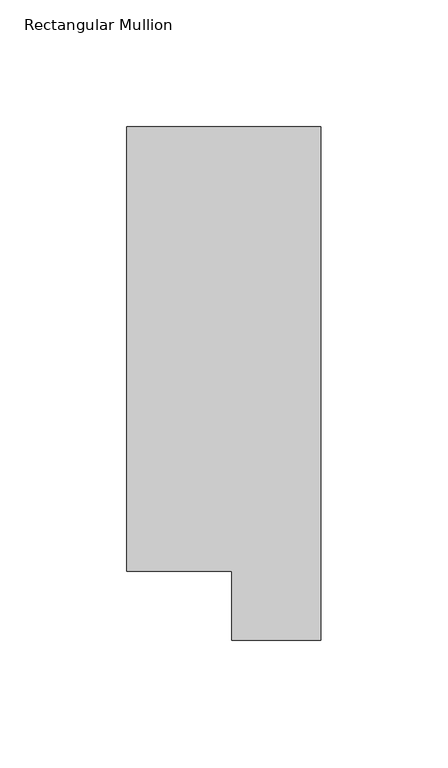
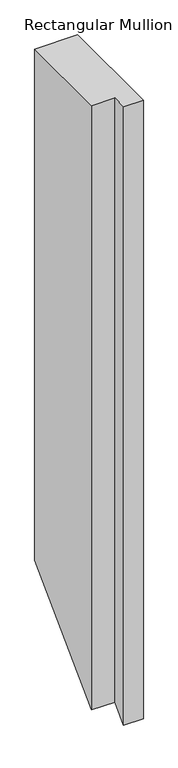
"""IFC4 building model written with IfcOpenShell, lengths in millimetres: member geometry, Rectangular Mullion."""

import ifcopenshell
import ifcopenshell.guid

model = None  # the IFC model being written
_history = None  # IfcOwnerHistory: only IFC2X3 demands one
_inside = {}  # id of a spatial element -> (the spatial element, [elements in it])
_under = {}  # id of a project, library or spatial element -> (it, [spatial elements below it])
_declared = {}  # id of a project -> (the project, [libraries it declares])
_typed = {}  # id of a type object -> (the type object, [elements of that type])
_made_of = {}  # id of a material, layer set ... -> (it, [elements and type objects made of it])


def new_model(schema):
    """Start an empty IFC model of exactly this schema.

    Asked for "IFC4X3", IfcOpenShell would pick the latest addendum, in which some entities
    have other attributes; the version numbers below select the first issue.
    IFC2X3 requires an IfcOwnerHistory on every rooted entity: one is made here for all.
    """
    global model, _history
    if schema == "IFC4X3":
        model = ifcopenshell.file(schema_version=(4, 3, 0, 0))
    else:
        model = ifcopenshell.file(schema=schema)
    _inside.clear()
    _under.clear()
    _declared.clear()
    _typed.clear()
    _made_of.clear()
    _history = None
    if model.schema == "IFC2X3":
        org = make("IfcOrganization", Name="unknown")
        user = make(
            "IfcPersonAndOrganization",
            ThePerson=make("IfcPerson", FamilyName="unknown"),
            TheOrganization=org,
        )
        app = make(
            "IfcApplication",
            ApplicationDeveloper=org,
            Version="unknown",
            ApplicationFullName="unknown",
            ApplicationIdentifier="unknown",
        )
        _history = make(
            "IfcOwnerHistory",
            OwningUser=user,
            OwningApplication=app,
            ChangeAction="ADDED",
            CreationDate=0,
        )
    return model


def make(cls, **values):
    """One entity of the class cls with the attributes given. An attribute that is None is left unset."""
    return model.create_entity(
        cls, **{name: value for name, value in values.items() if value is not None}
    )


def rooted(cls, **values):
    """An entity with a GlobalId (a new one), such as an element, a storey or a relation."""
    return make(cls, GlobalId=ifcopenshell.guid.new(), OwnerHistory=_history, **values)


def si_unit(unit_type, name, prefix=None):
    """IfcSIUnit, for example si_unit("LENGTHUNIT", "METRE", prefix="MILLI")."""
    return make("IfcSIUnit", UnitType=unit_type, Prefix=prefix, Name=name)


def assignment(units):
    """IfcUnitAssignment: the units of a project."""
    return None if units is None else make("IfcUnitAssignment", Units=units)


def point(xyz):
    """IfcCartesianPoint."""
    return None if xyz is None else make("IfcCartesianPoint", Coordinates=xyz)


def direction(xyz):
    """IfcDirection."""
    return None if xyz is None else make("IfcDirection", DirectionRatios=xyz)


def frame(location, z_axis=None, x_axis=None):
    """IfcAxis2Placement3D, a coordinate frame: its origin and axes. An axis left out is left unset."""
    return make(
        "IfcAxis2Placement3D",
        Location=point(location),
        Axis=direction(z_axis),
        RefDirection=direction(x_axis),
    )


def origin():
    """The frame at (0, 0, 0) with its axes left unset."""
    return frame((0.0, 0.0, 0.0))


def place(relative_to, where):
    """IfcLocalPlacement: puts the frame where relative to a parent placement (None: the world)."""
    return make(
        "IfcLocalPlacement", PlacementRelTo=relative_to, RelativePlacement=where
    )


def context(
    kind, dimensions, precision=None, world=None, true_north=None, identifier=None
):
    """IfcGeometricRepresentationContext, for example the 3D "Model" context."""
    return make(
        "IfcGeometricRepresentationContext",
        ContextIdentifier=identifier,
        ContextType=kind,
        CoordinateSpaceDimension=dimensions,
        Precision=precision,
        WorldCoordinateSystem=world,
        TrueNorth=true_north,
    )


def project(units=None, contexts=None):
    """IfcProject with its units and contexts."""
    return rooted(
        "IfcProject",
        Name="project",
        RepresentationContexts=contexts,
        UnitsInContext=assignment(units),
    )


def spatial(cls, under=None, at=None, **own):
    """A site, building, storey or space (cls), placed at a placement, below another one or the project."""
    s = rooted(cls, ObjectPlacement=at, **own)
    if under is not None:
        _under.setdefault(under.id(), (under, []))[1].append(s)
    return s


def faces_of(points, faces, orient=None, outer=None):
    """IfcFace entities. A face is a list of loops; a loop is a list of indices into points, from 0.

    orient and outer hold one flag for each loop. By default every Orientation is true, the
    first loop of a face is its IfcFaceOuterBound and the others are IfcFaceBound.
    """
    made = []
    for i, loops in enumerate(faces):
        bounds = []
        for j, loop in enumerate(loops):
            is_outer = j == 0 if outer is None else outer[i][j]
            bounds.append(
                make(
                    "IfcFaceOuterBound" if is_outer else "IfcFaceBound",
                    Bound=make("IfcPolyLoop", Polygon=[points[k] for k in loop]),
                    Orientation=True if orient is None else orient[i][j],
                )
            )
        made.append(make("IfcFace", Bounds=bounds))
    return made


def faceted_brep(points, faces, orient=None, outer=None, voids=None):
    """IfcFacetedBrep: a solid bounded by flat faces; with voids (closed shells), ...WithVoids."""
    shared = [point(p) for p in points]
    hull = make("IfcClosedShell", CfsFaces=faces_of(shared, faces, orient, outer))
    if voids is None:
        return make("IfcFacetedBrep", Outer=hull)
    return make(
        "IfcFacetedBrepWithVoids",
        Outer=hull,
        Voids=[
            make(cls, CfsFaces=faces_of(shared, fs, o, b)) for cls, fs, o, b in voids
        ],
    )


def shape(context_of_items, identifier, shape_type, items):
    """IfcShapeRepresentation: the items that make up one representation, for example the "Body"."""
    return make(
        "IfcShapeRepresentation",
        ContextOfItems=context_of_items,
        RepresentationIdentifier=identifier,
        RepresentationType=shape_type,
        Items=items,
    )


def source(mapping_origin, context_of_items, identifier, shape_type, items):
    """IfcRepresentationMap: a shape defined once, which mapped items show again and again."""
    return make(
        "IfcRepresentationMap",
        MappingOrigin=mapping_origin,
        MappedRepresentation=shape(context_of_items, identifier, shape_type, items),
    )


def transform(
    local_origin,
    x_axis=None,
    y_axis=None,
    z_axis=None,
    scale=None,
    scale2=None,
    scale3=None,
    uniform=True,
):
    """IfcCartesianTransformationOperator3D, or its non-uniform kind. x_axis, y_axis, z_axis: its Axis1, 2, 3."""
    if uniform:
        return make(
            "IfcCartesianTransformationOperator3D",
            Axis1=direction(x_axis),
            Axis2=direction(y_axis),
            LocalOrigin=point(local_origin),
            Scale=scale,
            Axis3=direction(z_axis),
        )
    return make(
        "IfcCartesianTransformationOperator3DnonUniform",
        Axis1=direction(x_axis),
        Axis2=direction(y_axis),
        LocalOrigin=point(local_origin),
        Scale=scale,
        Axis3=direction(z_axis),
        Scale2=scale2,
        Scale3=scale3,
    )


def mapped(mapping_source, mapping_target):
    """IfcMappedItem: shows the shape of a source again, moved by a transform."""
    return make(
        "IfcMappedItem", MappingSource=mapping_source, MappingTarget=mapping_target
    )


def made_of(thing, what):
    """Note that an element or type object is made of a material, layer set ...; save() writes the relation."""
    if what is not None:
        _made_of.setdefault(what.id(), (what, []))[1].append(thing)
    return thing


def element(
    cls,
    number,
    at=None,
    inside=None,
    cuts=None,
    type_object=None,
    material=None,
    context=None,
    identifier="Body",
    shape_type=None,
    held_by="IfcProductDefinitionShape",
    body=None,
    shapes=None,
    **own,
):
    """One element of the class cls, such as IfcWall. Its Tag is "e" and its number.

    at: its placement. inside: the storey or other place that contains it. cuts: it is an
    opening in that element (IfcRelVoidsElement). A single representation is given by context,
    identifier, shape_type and body (its items); several are given by shapes. held_by: the class
    of the entity that holds the representations. save() writes the other relations.
    """
    e = rooted(cls, Tag="e%d" % number, ObjectPlacement=at, **own)
    if body is not None:
        shapes = [shape(context, identifier, shape_type, body)]
    if shapes is not None:
        e.Representation = make(held_by, Representations=shapes)
    if inside is not None:
        _inside.setdefault(inside.id(), (inside, []))[1].append(e)
    if cuts is not None:
        rooted(
            "IfcRelVoidsElement", RelatingBuildingElement=cuts, RelatedOpeningElement=e
        )
    if type_object is not None:
        _typed.setdefault(type_object.id(), (type_object, []))[1].append(e)
    return made_of(e, material)


def aggregate(whole, parts):
    """IfcRelAggregates: a whole, such as a stair, and the parts it consists of."""
    return rooted("IfcRelAggregates", RelatingObject=whole, RelatedObjects=parts)


def save(model, path):
    """Write the relations noted so far, then the file.

    IfcRelAggregates (storeys below a building ...), IfcRelContainedInSpatialStructure (elements
    in a storey), IfcRelDefinesByType, IfcRelAssociatesMaterial and IfcRelDeclares: one each for
    every whole, place, type object, material and project.
    """
    for whole, parts in _under.values():
        aggregate(whole, parts)
    for where, things in _inside.values():
        rooted(
            "IfcRelContainedInSpatialStructure",
            RelatedElements=things,
            RelatingStructure=where,
        )
    for kind, things in _typed.values():
        rooted("IfcRelDefinesByType", RelatedObjects=things, RelatingType=kind)
    for what, things in _made_of.values():
        rooted("IfcRelAssociatesMaterial", RelatedObjects=things, RelatingMaterial=what)
    for by, libraries in _declared.values():
        rooted("IfcRelDeclares", RelatingContext=by, RelatedDefinitions=libraries)
    model.write(path)


def rectangular_mullion_9aa50024(model_context):
    return source(origin(), model_context, "Body", "Brep", [
        faceted_brep([(0.0, 221.7507313, 0.0), (-76.2, 221.7507313, 0.0), (-76.2, 46.7447302, 0.0), (-34.9123, 46.7447302, 0.0), (-34.9123, 19.5667313, 0.0), (0.0, 19.5667313, 0.0), (0.0, 221.7507313, -959.6686916), (-76.2, 221.7507313, -959.6686916), (-76.2, 46.7447302, -1134.6746927), (-34.9123, 46.7447302, -1134.6746927), (-34.9123, 19.5667313, -1161.8526916), (0.0, 19.5667313, -1161.8526916)], [[[0, 1, 2, 3, 4, 5]], [[1, 0, 6, 7]], [[2, 1, 7, 8]], [[3, 2, 8, 9]], [[4, 3, 9, 10]], [[5, 4, 10, 11]], [[0, 5, 11, 6]], [[6, 11, 10, 9, 8, 7]]]),
    ])


if __name__ == "__main__":
    model = new_model("IFC4")
    model_context = context("Model", 3, world=origin())
    ifc_project = project(units=[si_unit("LENGTHUNIT", "METRE", prefix="MILLI")], contexts=[model_context])
    site = spatial("IfcSite", under=ifc_project)
    building = spatial("IfcBuilding", under=site)
    placement = place(None, origin())
    rectangular_mullion_shape = rectangular_mullion_9aa50024(model_context)
    element("IfcMember", 1, ObjectType="Rectangular Mullion", at=placement, inside=building, context=model_context, shape_type="MappedRepresentation", body=[
        mapped(rectangular_mullion_shape, transform((0.0, 0.0, 0.0), x_axis=(1.0, 0.0, 0.0), y_axis=(0.0, 1.0, 0.0), z_axis=(0.0, 0.0, 1.0))),
    ])
    save(model, "model.ifc")
